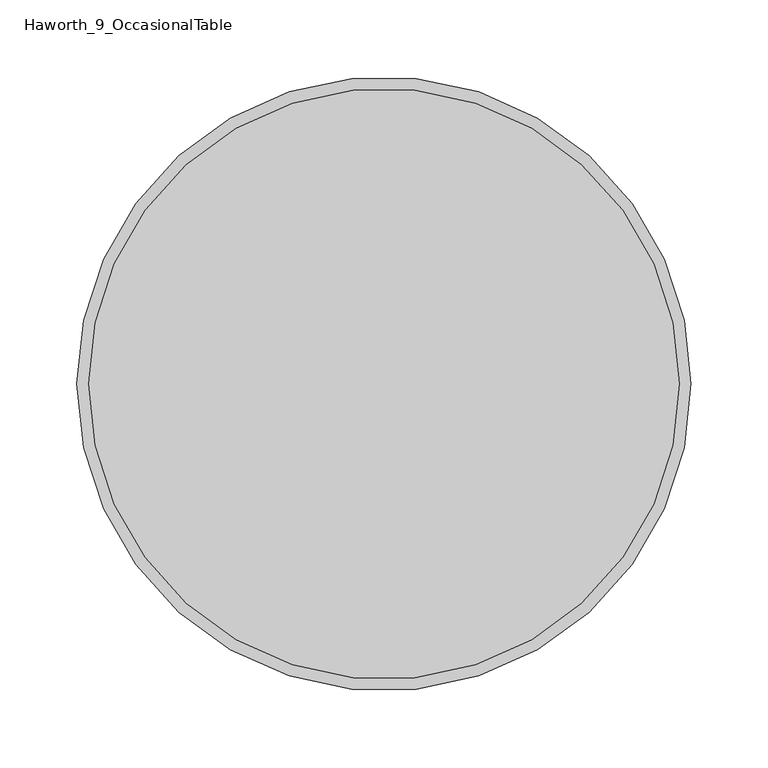
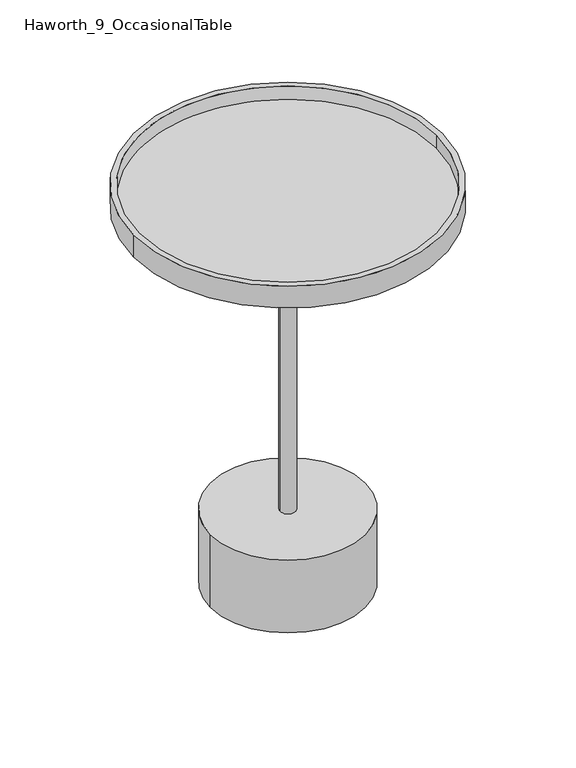
"""IFC4 building model written with IfcOpenShell, lengths in millimetres: furniture geometry, Haworth_9_OccasionalTable."""

from ifc_helpers import new_model, si_unit, point, frame, frame_2d, origin, origin_with_axes, place, context, project, spatial, polyline, circle_curve, ellipse_curve, trimmed, segment, composite_curve, outline, extrude, source, transform, mapped, element, save
from ifc_brep_helpers import plane_surface, revolved_surface, advanced_brep


def haworth_9_occasionaltable_d2200faf(model_context):
    return source(origin(), model_context, "Body", "SolidModel", [
        extrude(outline(composite_curve([segment(trimmed(circle_curve(frame_2d((-155.4452882, -292.1)), 191.77), [point((-347.2152882, -292.1))], [point((36.3247118, -292.1))], False, "CARTESIAN"), True, "CONTINUOUS"), segment(trimmed(circle_curve(frame_2d((-155.4452882, -292.1)), 191.77), [point((36.3247118, -292.1))], [point((-347.2152882, -292.1))], False, "CARTESIAN"), True, "CONTINUOUS")], self_intersect=False), holes=[composite_curve([segment(trimmed(circle_curve(frame_2d((-232.9383677, -426.8865382)), 12.7), [point((-245.6383677, -426.8865382))], [point((-220.2383677, -426.8865382))], True, "CARTESIAN"), True, "CONTINUOUS"), segment(trimmed(circle_curve(frame_2d((-232.9383677, -426.8865382)), 12.7), [point((-220.2383677, -426.8865382))], [point((-245.6383677, -426.8865382))], True, "CARTESIAN"), True, "CONTINUOUS")], self_intersect=False)]), frame((0.0, 0.0, 516.5139949), z_axis=(0.0, 0.0, 1.0), x_axis=(1.0, 0.0, 0.0)), (0.0, 0.0, 1.0), 4.9942446),
        extrude(outline(composite_curve([segment(trimmed(circle_curve(frame_2d((-155.4452882, -292.1)), 191.77), [point((-347.2152882, -292.1))], [point((36.3247118, -292.1))], False, "CARTESIAN"), True, "CONTINUOUS"), segment(trimmed(circle_curve(frame_2d((-155.4452882, -292.1)), 191.77), [point((36.3247118, -292.1))], [point((-347.2152882, -292.1))], False, "CARTESIAN"), True, "CONTINUOUS")], self_intersect=False)), frame((0.0, 0.0, 521.5082394), z_axis=(0.0, 0.0, 1.0), x_axis=(1.0, 0.0, 0.0)), (0.0, 0.0, 1.0), 6.9967023),
        extrude(outline(composite_curve([segment(trimmed(circle_curve(frame_2d((-155.4452882, -292.1)), 199.39), [point((-354.8352882, -292.1))], [point((43.9447118, -292.1))], False, "CARTESIAN"), True, "CONTINUOUS"), segment(trimmed(circle_curve(frame_2d((-155.4452882, -292.1)), 199.39), [point((43.9447118, -292.1))], [point((-354.8352882, -292.1))], False, "CARTESIAN"), True, "CONTINUOUS")], self_intersect=False), holes=[composite_curve([segment(trimmed(circle_curve(frame_2d((-155.4452882, -292.1)), 191.77), [point((-347.2152882, -292.1))], [point((36.3247118, -292.1))], True, "CARTESIAN"), True, "CONTINUOUS"), segment(trimmed(circle_curve(frame_2d((-155.4452882, -292.1)), 191.77), [point((36.3247118, -292.1))], [point((-347.2152882, -292.1))], True, "CARTESIAN"), True, "CONTINUOUS")], self_intersect=False)]), frame((0.0, 0.0, 516.5139949), z_axis=(0.0, 0.0, 1.0), x_axis=(1.0, 0.0, 0.0)), (0.0, 0.0, 1.0), 30.000022),
        advanced_brep(
        [(-284.8188626, -292.1027186, 519.1852728), (-26.0717137, -292.1027186, 519.1852728), (-155.4452882, -292.1027186, 519.1852728), (-284.5696781, -292.1027186, 514.4691674), (-26.3208982, -292.1027186, 514.4691674), (-281.0894483, -292.1027186, 510.9665109), (-29.801128, -292.1027186, 510.9665109), (-165.4613858, -292.1027186, 504.1120286), (-145.4291905, -292.1027186, 504.1120286), (-155.4452882, -292.1027186, 504.1120286)],
        [
            (0, 1, circle_curve(frame((-155.4452882, -292.1027186, 519.1852728), z_axis=(0.0, 0.0, 1.0), x_axis=(1.0, 0.0, 0.0)), 129.3735745)),
            (1, 2),
            (2, 0),
            (1, 0, circle_curve(frame((-155.4452882, -292.1027186, 519.1852728), z_axis=(0.0, 0.0, 1.0), x_axis=(1.0, 0.0, 0.0)), 129.3735745)),
            (3, 4, circle_curve(frame((-155.4452882, -292.1027186, 514.4691674), z_axis=(0.0, 0.0, 1.0), x_axis=(1.0, 0.0, 0.0)), 129.12439)),
            (4, 1),
            (0, 3),
            (4, 3, circle_curve(frame((-155.4452882, -292.1027186, 514.4691674), z_axis=(0.0, 0.0, 1.0), x_axis=(1.0, 0.0, 0.0)), 129.12439)),
            (5, 6, circle_curve(frame((-155.4452882, -292.1027186, 510.9665109), z_axis=(0.0, 0.0, 1.0), x_axis=(1.0, 0.0, 0.0)), 125.6441602)),
            (6, 4, circle_curve(frame((-30.0203544, -292.1027186, 514.6646353), z_axis=(0.0, -1.0, 0.0), x_axis=(-1.0, 0.0, 0.0)), 3.7046166)),
            (3, 5, circle_curve(frame((-280.8702219, -292.1027186, 514.6646353), z_axis=(0.0, -1.0, 0.0), x_axis=(1.0, 0.0, 0.0)), 3.7046166)),
            (6, 5, circle_curve(frame((-155.4452882, -292.1027186, 510.9665109), z_axis=(0.0, 0.0, 1.0), x_axis=(1.0, 0.0, 0.0)), 125.6441602)),
            (7, 8, circle_curve(frame((-155.4452882, -292.1027186, 504.1120286), z_axis=(0.0, 0.0, 1.0), x_axis=(1.0, 0.0, 0.0)), 10.0160977)),
            (8, 6),
            (5, 7),
            (8, 7, circle_curve(frame((-155.4452882, -292.1027186, 504.1120286), z_axis=(0.0, 0.0, 1.0), x_axis=(1.0, 0.0, 0.0)), 10.0160977)),
            (9, 8),
            (7, 9),
        ],
        [
            plane_surface(frame((-155.4452882, -292.1027186, 519.1852728), z_axis=(0.0, 0.0, 1.0), x_axis=(1.0, 0.0, 0.0))),
            revolved_surface(polyline([(-26.0717137, -292.1027186, 519.1852728), (-26.3208982, -292.1027186, 514.4691674)]), (-155.4452882, -292.1027186, 519.1852728), (0.0, 0.0, -1.0)),
            revolved_surface(trimmed(ellipse_curve(frame((-30.0203544, -292.1027186, 514.6646353), z_axis=(0.0, 1.0, 0.0), x_axis=(-1.0, 0.0, 0.0)), 3.7046166, 3.7046166), [point((-26.3208982, -292.1027186, 514.4691674))], [point((-29.801128, -292.1027186, 510.9665109))], True, "CARTESIAN"), (-155.4452882, -292.1027186, 519.1852728), (0.0, 0.0, -1.0)),
            revolved_surface(polyline([(-29.801128, -292.1027186, 510.9665109), (-145.4291905, -292.1027186, 504.1120286)]), (-155.4452882, -292.1027186, 519.1852728), (0.0, 0.0, -1.0)),
            plane_surface(frame((-155.4452882, -292.1027186, 504.1120286), z_axis=(0.0, 0.0, -1.0), x_axis=(1.0, 0.0, 0.0))),
        ],
        [
            (0, [[1, 2, 3]]),
            (0, [[4, -3, -2]]),
            (1, [[5, 6, -1, 7]]),
            (1, [[8, -7, -4, -6]]),
            (2, [[9, 10, -5, 11]]),
            (2, [[12, -11, -8, -10]]),
            (3, [[13, 14, -9, 15]]),
            (3, [[16, -15, -12, -14]]),
            (4, [[17, -13, 18]]),
            (4, [[-18, -16, -17]]),
        ],
    ),
        extrude(outline(composite_curve([segment(trimmed(circle_curve(frame_2d((-155.4452882, -292.1)), 10.0160977), [point((-165.4613858, -292.1))], [point((-145.4291905, -292.1))], False, "CARTESIAN"), True, "CONTINUOUS"), segment(trimmed(circle_curve(frame_2d((-155.4452882, -292.1)), 10.0160977), [point((-145.4291905, -292.1))], [point((-165.4613858, -292.1))], False, "CARTESIAN"), True, "CONTINUOUS")], self_intersect=False)), frame((0.0, 0.0, 102.5745621), z_axis=(0.0, 0.0, 1.0), x_axis=(1.0, 0.0, 0.0)), (0.0, 0.0, 1.0), 401.5374665),
        extrude(outline(composite_curve([segment(trimmed(circle_curve(frame_2d((-155.4452882, -292.1)), 95.0996992), [point((-250.5449874, -292.1))], [point((-60.3455889, -292.1))], False, "CARTESIAN"), True, "CONTINUOUS"), segment(trimmed(circle_curve(frame_2d((-155.4452882, -292.1)), 95.0996992), [point((-60.3455889, -292.1))], [point((-250.5449874, -292.1))], False, "CARTESIAN"), True, "CONTINUOUS")], self_intersect=False)), origin_with_axes(), (0.0, 0.0, 1.0), 3.0065621),
        extrude(outline(composite_curve([segment(trimmed(circle_curve(frame_2d((-155.4452882, -292.1)), 100.2289836), [point((-255.6742718, -292.1))], [point((-55.2163045, -292.1))], False, "CARTESIAN"), True, "CONTINUOUS"), segment(trimmed(circle_curve(frame_2d((-155.4452882, -292.1)), 100.2289836), [point((-55.2163045, -292.1))], [point((-255.6742718, -292.1))], False, "CARTESIAN"), True, "CONTINUOUS")], self_intersect=False)), frame((0.0, 0.0, 3.0065621), z_axis=(0.0, 0.0, 1.0), x_axis=(1.0, 0.0, 0.0)), (0.0, 0.0, 1.0), 99.568),
    ])


if __name__ == "__main__":
    model = new_model("IFC4")
    model_context = context("Model", 3, world=origin())
    ifc_project = project(units=[si_unit("LENGTHUNIT", "METRE", prefix="MILLI")], contexts=[model_context])
    site = spatial("IfcSite", under=ifc_project)
    building = spatial("IfcBuilding", under=site)
    placement = place(None, origin())
    haworth_9_occasionaltable_shape = haworth_9_occasionaltable_d2200faf(model_context)
    element("IfcFurniture", 1, ObjectType="Haworth_9_OccasionalTable", at=placement, inside=building, context=model_context, shape_type="MappedRepresentation", body=[
        mapped(haworth_9_occasionaltable_shape, transform((0.0, 0.0, 0.0), x_axis=(1.0, 0.0, 0.0), y_axis=(0.0, 1.0, 0.0), z_axis=(0.0, 0.0, 1.0))),
    ])
    save(model, "model.ifc")
